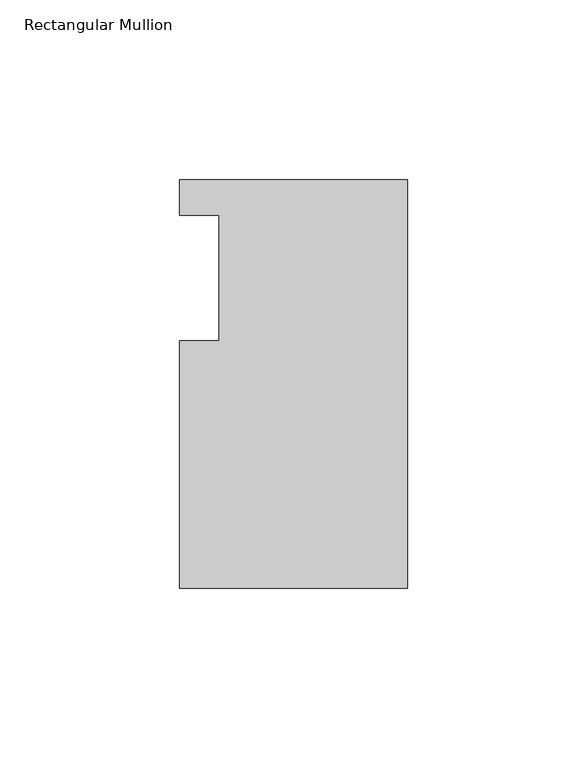
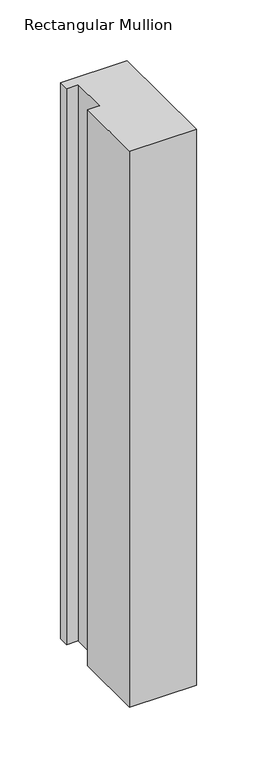
"""IFC4 building model written with IfcOpenShell, lengths in millimetres: member geometry, Rectangular Mullion."""

from ifc_helpers import new_model, si_unit, frame, origin, place, context, project, spatial, polyline, outline, extrude, source, transform, mapped, element, save


def rectangular_mullion_15af1d5a(model_context):
    return source(origin(), model_context, "Body", "SweptSolid", [
        extrude(outline(polyline([(-63.5, 113.8189875), (0.0, 113.8189875), (0.0, 0.0269867), (-63.5, 0.0269867), (-63.5, 68.9879867), (-52.3875, 68.9879867), (-52.3875, 103.9129875), (-63.5, 103.9129875), (-63.5, 113.8189875)])), frame((0.0, 0.0, -558.8), z_axis=(0.0, 0.0, 1.0), x_axis=(1.0, 0.0, 0.0)), (0.0, 0.0, 1.0), 558.8),
    ])


if __name__ == "__main__":
    model = new_model("IFC4")
    model_context = context("Model", 3, world=origin())
    ifc_project = project(units=[si_unit("LENGTHUNIT", "METRE", prefix="MILLI")], contexts=[model_context])
    site = spatial("IfcSite", under=ifc_project)
    building = spatial("IfcBuilding", under=site)
    placement = place(None, origin())
    rectangular_mullion_shape = rectangular_mullion_15af1d5a(model_context)
    element("IfcMember", 1, ObjectType="Rectangular Mullion", at=placement, inside=building, context=model_context, shape_type="MappedRepresentation", body=[
        mapped(rectangular_mullion_shape, transform((0.0, 0.0, 0.0), x_axis=(1.0, 0.0, 0.0), y_axis=(0.0, 1.0, 0.0), z_axis=(0.0, 0.0, 1.0))),
    ])
    save(model, "model.ifc")
